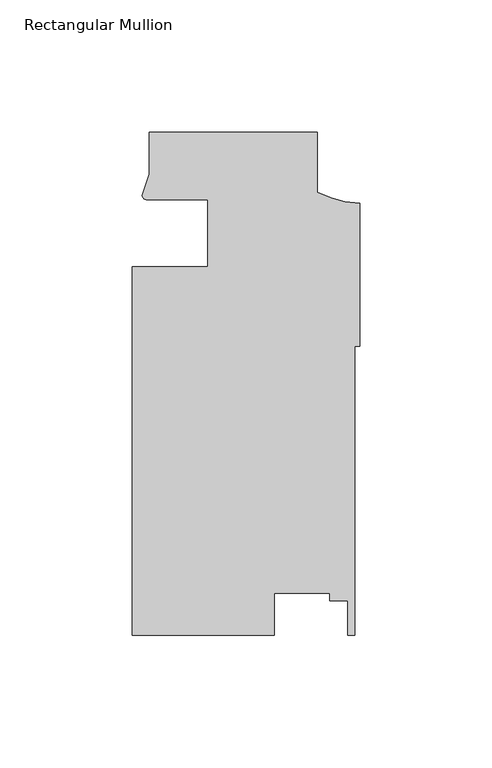
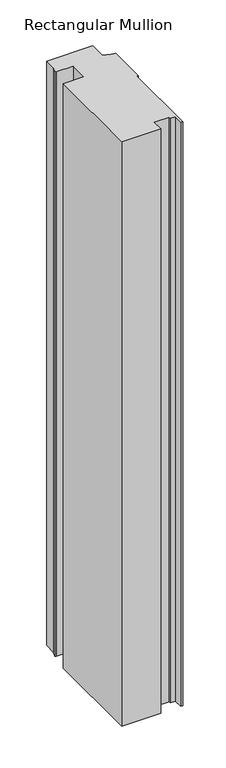
"""IFC4 building model written with IfcOpenShell, lengths in millimetres: member geometry, Rectangular Mullion."""

from ifc_helpers import new_model, si_unit, point, frame, frame_2d, origin, place, context, project, spatial, polyline, circle_curve, trimmed, segment, composite_curve, outline, extrude, source, transform, mapped, element, save


def rectangular_mullion_ee7cbfed(model_context):
    return source(origin(), model_context, "Body", "SweptSolid", [
        extrude(outline(composite_curve([segment(polyline([(-85.8370969, -12.7004525), (-57.2620969, -12.6998707), (-57.2620969, 12.3823673)]), True, "CONTINUOUS"), segment(trimmed(circle_curve(frame_2d((-75.1863451, -448.3078197)), 461.0387479), [point((-57.2620969, 12.3823673))], [point((-80.5212257, 12.700061))], True, "CARTESIAN"), True, "CONTINUOUS"), segment(trimmed(circle_curve(frame_2d((-80.4383342, 14.401412)), 1.703369), [point((-80.5212257, 12.700061))], [point((-82.1379521, 14.2884292))], False, "CARTESIAN"), True, "CONTINUOUS"), segment(polyline([(-82.1379521, 14.2884292), (-79.4870969, 22.2250977), (-79.4870969, 38.1), (-15.9870969, 38.1), (-15.9870969, 15.5622869)]), True, "CONTINUOUS"), segment(trimmed(circle_curve(frame_2d((1.9614918, 50.6808025)), 39.4393455), [point((-15.9870969, 15.5622869))], [point((0.0, 11.290264))], True, "CARTESIAN"), True, "CONTINUOUS"), segment(polyline([(0.0, 11.290264), (0.0, -42.740266), (-1.8773984, -42.740266), (-1.8773984, -151.892), (-4.4173983, -151.892), (-4.4173983, -138.8482008), (-11.275398, -138.8482008), (-11.275398, -135.9935955), (-32.2220472, -135.9935955), (-32.2220472, -151.892), (-85.8370969, -151.892), (-85.8370969, -12.7004525)]), True, "CONTINUOUS")], self_intersect=False)), frame((0.0, 0.0, -850.5615395), z_axis=(0.0, 0.0, 1.0), x_axis=(1.0, 0.0, 0.0)), (0.0, 0.0, 1.0), 850.5615395),
    ])


if __name__ == "__main__":
    model = new_model("IFC4")
    model_context = context("Model", 3, world=origin())
    ifc_project = project(units=[si_unit("LENGTHUNIT", "METRE", prefix="MILLI")], contexts=[model_context])
    site = spatial("IfcSite", under=ifc_project)
    building = spatial("IfcBuilding", under=site)
    placement = place(None, origin())
    rectangular_mullion_shape = rectangular_mullion_ee7cbfed(model_context)
    element("IfcMember", 1, ObjectType="Rectangular Mullion", at=placement, inside=building, context=model_context, shape_type="MappedRepresentation", body=[
        mapped(rectangular_mullion_shape, transform((0.0, 0.0, 0.0), x_axis=(1.0, 0.0, 0.0), y_axis=(0.0, 1.0, 0.0), z_axis=(0.0, 0.0, 1.0))),
    ])
    save(model, "model.ifc")
